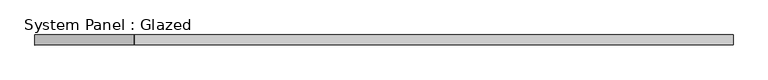
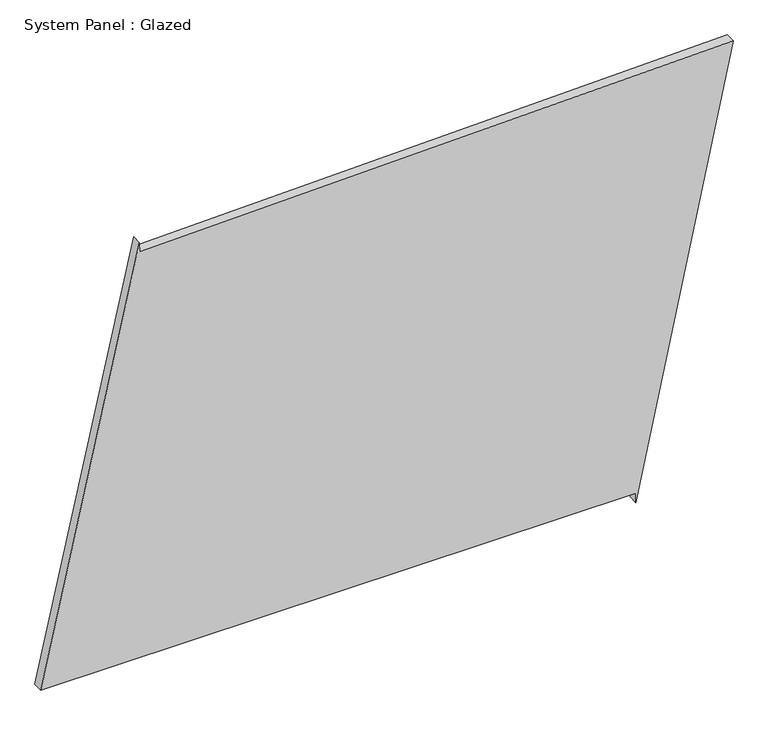
"""IFC4 building model written with IfcOpenShell, lengths in millimetres: plate geometry, System Panel : Glazed."""

from ifc_helpers import new_model, si_unit, frame, origin, place, context, project, spatial, polyline, outline, extrude, source, transform, mapped, element, save


def system_panel_glazed_212959bc(model_context):
    return source(origin(), model_context, "Body", "SweptSolid", [
        extrude(outline(polyline([(25.0, 623.2987459), (0.0, 623.2987459), (1136.9177947, 866.3451413), (1097.8652702, -618.751315), (1122.856631, -619.408495), (25.0, -866.3451413), (25.0, 623.2987459)])), frame((0.0, -49.5, 0.0), z_axis=(0.0, 1.0, 0.0), x_axis=(0.0, 0.0, 1.0)), (0.0, 0.0, 1.0), 25.0),
    ])


if __name__ == "__main__":
    model = new_model("IFC4")
    model_context = context("Model", 3, world=origin())
    ifc_project = project(units=[si_unit("LENGTHUNIT", "METRE", prefix="MILLI")], contexts=[model_context])
    site = spatial("IfcSite", under=ifc_project)
    building = spatial("IfcBuilding", under=site)
    placement = place(None, origin())
    system_panel_glazed_shape = system_panel_glazed_212959bc(model_context)
    element("IfcPlate", 1, ObjectType="System Panel : Glazed", at=placement, inside=building, context=model_context, shape_type="MappedRepresentation", body=[
        mapped(system_panel_glazed_shape, transform((0.0, 0.0, 0.0), x_axis=(1.0, 0.0, 0.0), y_axis=(0.0, 1.0, 0.0), z_axis=(0.0, 0.0, 1.0))),
    ])
    save(model, "model.ifc")
